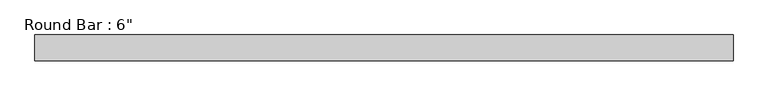
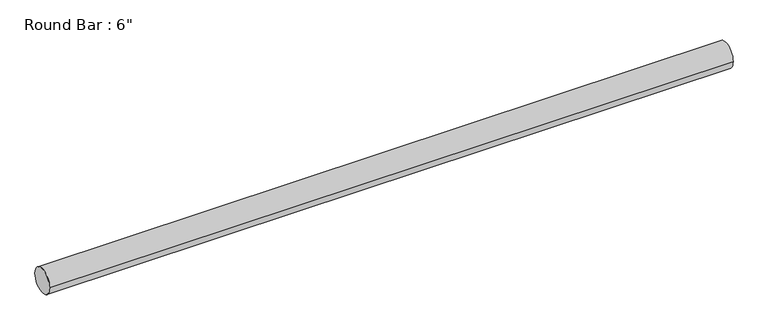
"""IFC4 building model written with IfcOpenShell, lengths in millimetres: beam geometry."""

from ifc_helpers import new_model, si_unit, point, frame, origin, origin_2d, place, context, project, spatial, circle_curve, trimmed, segment, composite_curve, outline, extrude, source, transform, mapped, element, save


def beam_9afb84c0(model_context):
    return source(origin(), model_context, "Body", "SweptSolid", [
        extrude(outline(composite_curve([segment(trimmed(circle_curve(origin_2d(), 76.2), [point((76.2, 0.0))], [point((-76.2, 0.0))], False, "CARTESIAN"), True, "CONTINUOUS"), segment(trimmed(circle_curve(origin_2d(), 76.2), [point((-76.2, 0.0))], [point((76.2, 0.0))], False, "CARTESIAN"), True, "CONTINUOUS")], self_intersect=False)), frame((-2031.2589666, 0.0, 0.0), z_axis=(1.0, 0.0, 0.0), x_axis=(0.0, 1.0, 0.0)), (0.0, 0.0, 1.0), 4079.3137336),
    ])


if __name__ == "__main__":
    model = new_model("IFC4")
    model_context = context("Model", 3, world=origin())
    ifc_project = project(units=[si_unit("LENGTHUNIT", "METRE", prefix="MILLI")], contexts=[model_context])
    site = spatial("IfcSite", under=ifc_project)
    building = spatial("IfcBuilding", under=site)
    placement = place(None, origin())
    beam_shape = beam_9afb84c0(model_context)
    element("IfcBeam", 1, ObjectType="Round Bar : 6\"", at=placement, inside=building, context=model_context, shape_type="MappedRepresentation", body=[
        mapped(beam_shape, transform((0.0, 0.0, 0.0), x_axis=(1.0, 0.0, 0.0), y_axis=(0.0, 1.0, 0.0), z_axis=(0.0, 0.0, 1.0))),
    ])
    save(model, "model.ifc")
